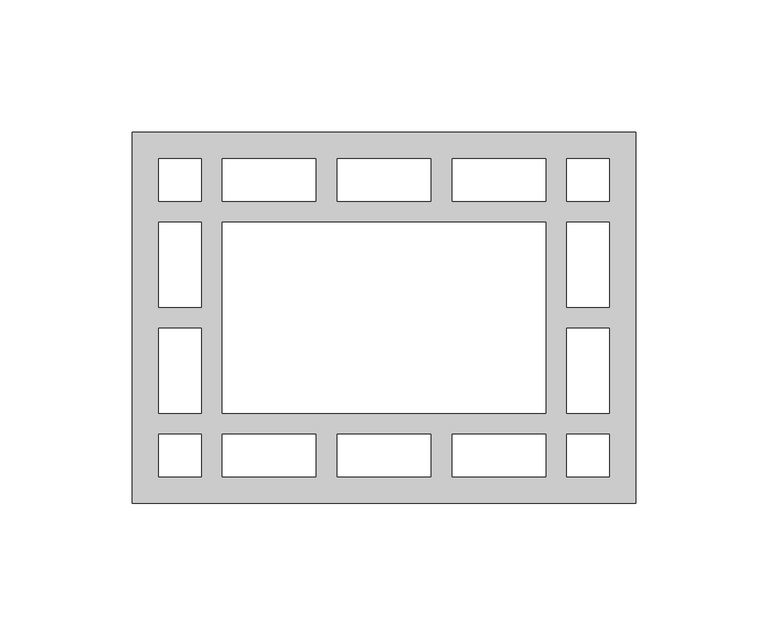
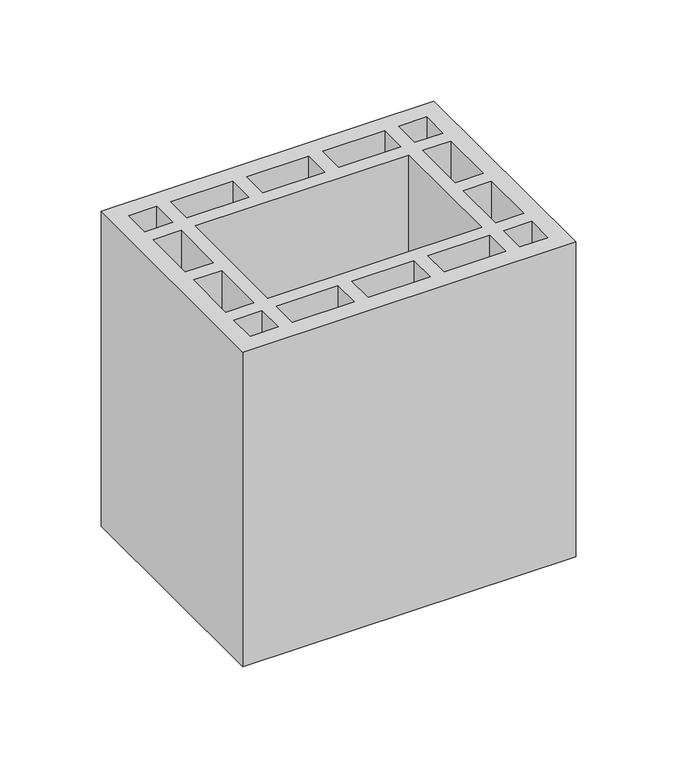
"""IFC4 building model written with IfcOpenShell, lengths in millimetres: proxy geometry."""

from ifc_helpers import new_model, si_unit, origin, origin_with_axes, place, context, project, spatial, polyline, outline, extrude, source, transform, mapped, element, save


def generic_models_12f2afd7(model_context):
    return source(origin(), model_context, "Body", "SweptSolid", [
        extrude(outline(polyline([(190.0, 0.0), (0.0, 0.0), (0.0, 140.0), (190.0, 140.0), (190.0, 0.0)]), holes=[polyline([(164.0, 10.0), (180.0, 10.0), (180.0, 26.0), (164.0, 26.0), (164.0, 10.0)]), polyline([(26.0, 10.0), (26.0, 26.0), (10.0, 26.0), (10.0, 10.0), (26.0, 10.0)]), polyline([(164.0, 130.0), (164.0, 114.0), (180.0, 114.0), (180.0, 130.0), (164.0, 130.0)]), polyline([(26.0, 130.0), (10.0, 130.0), (10.0, 114.0), (26.0, 114.0), (26.0, 130.0)]), polyline([(164.0, 34.0), (180.0, 34.0), (180.0, 66.0), (164.0, 66.0), (164.0, 34.0)]), polyline([(164.0, 74.0), (180.0, 74.0), (180.0, 106.0), (164.0, 106.0), (164.0, 74.0)]), polyline([(26.0, 34.0), (26.0, 66.0), (10.0, 66.0), (10.0, 34.0), (26.0, 34.0)]), polyline([(26.0, 74.0), (26.0, 106.0), (10.0, 106.0), (10.0, 74.0), (26.0, 74.0)]), polyline([(156.0, 106.0), (34.0, 106.0), (34.0, 34.0), (156.0, 34.0), (156.0, 106.0)]), polyline([(156.0, 26.0), (120.7, 26.0), (120.7, 10.0), (156.0, 10.0), (156.0, 26.0)]), polyline([(34.0, 10.0), (69.3, 10.0), (69.3, 26.0), (34.0, 26.0), (34.0, 10.0)]), polyline([(112.7, 10.0), (112.7, 26.0), (77.3, 26.0), (77.3, 10.0), (112.7, 10.0)]), polyline([(156.0, 114.0), (156.0, 130.0), (120.7, 130.0), (120.7, 114.0), (156.0, 114.0)]), polyline([(34.0, 130.0), (34.0, 114.0), (69.3, 114.0), (69.3, 130.0), (34.0, 130.0)]), polyline([(112.7, 130.0), (77.3, 130.0), (77.3, 114.0), (112.7, 114.0), (112.7, 130.0)])]), origin_with_axes(), (0.0, 0.0, 1.0), 190.0),
    ])


if __name__ == "__main__":
    model = new_model("IFC4")
    model_context = context("Model", 3, world=origin())
    ifc_project = project(units=[si_unit("LENGTHUNIT", "METRE", prefix="MILLI")], contexts=[model_context])
    site = spatial("IfcSite", under=ifc_project)
    building = spatial("IfcBuilding", under=site)
    placement = place(None, origin())
    generic_models_shape = generic_models_12f2afd7(model_context)
    element("IfcBuildingElementProxy", 1, Name="Generic Models", at=placement, inside=building, context=model_context, shape_type="MappedRepresentation", body=[
        mapped(generic_models_shape, transform((0.0, 0.0, 0.0), x_axis=(1.0, 0.0, 0.0), y_axis=(0.0, 1.0, 0.0), z_axis=(0.0, 0.0, 1.0))),
    ])
    save(model, "model.ifc")
